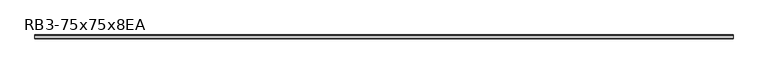
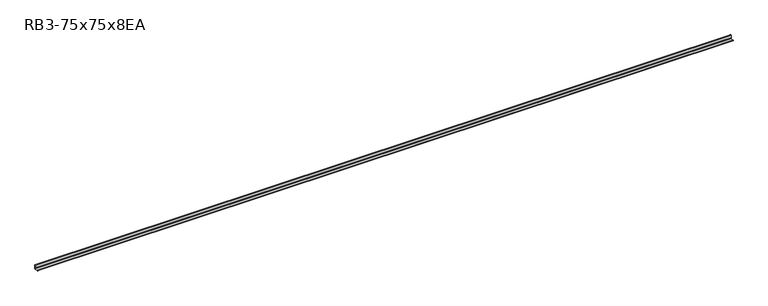
"""IFC4 building model written with IfcOpenShell, lengths in millimetres: member geometry, RB3-75x75x8EA."""

import ifcopenshell
import ifcopenshell.guid

model = None  # the IFC model being written
_history = None  # IfcOwnerHistory: only IFC2X3 demands one
_inside = {}  # id of a spatial element -> (the spatial element, [elements in it])
_under = {}  # id of a project, library or spatial element -> (it, [spatial elements below it])
_declared = {}  # id of a project -> (the project, [libraries it declares])
_typed = {}  # id of a type object -> (the type object, [elements of that type])
_made_of = {}  # id of a material, layer set ... -> (it, [elements and type objects made of it])


def new_model(schema):
    """Start an empty IFC model of exactly this schema.

    Asked for "IFC4X3", IfcOpenShell would pick the latest addendum, in which some entities
    have other attributes; the version numbers below select the first issue.
    IFC2X3 requires an IfcOwnerHistory on every rooted entity: one is made here for all.
    """
    global model, _history
    if schema == "IFC4X3":
        model = ifcopenshell.file(schema_version=(4, 3, 0, 0))
    else:
        model = ifcopenshell.file(schema=schema)
    _inside.clear()
    _under.clear()
    _declared.clear()
    _typed.clear()
    _made_of.clear()
    _history = None
    if model.schema == "IFC2X3":
        org = make("IfcOrganization", Name="unknown")
        user = make(
            "IfcPersonAndOrganization",
            ThePerson=make("IfcPerson", FamilyName="unknown"),
            TheOrganization=org,
        )
        app = make(
            "IfcApplication",
            ApplicationDeveloper=org,
            Version="unknown",
            ApplicationFullName="unknown",
            ApplicationIdentifier="unknown",
        )
        _history = make(
            "IfcOwnerHistory",
            OwningUser=user,
            OwningApplication=app,
            ChangeAction="ADDED",
            CreationDate=0,
        )
    return model


def make(cls, **values):
    """One entity of the class cls with the attributes given. An attribute that is None is left unset."""
    return model.create_entity(
        cls, **{name: value for name, value in values.items() if value is not None}
    )


def rooted(cls, **values):
    """An entity with a GlobalId (a new one), such as an element, a storey or a relation."""
    return make(cls, GlobalId=ifcopenshell.guid.new(), OwnerHistory=_history, **values)


def si_unit(unit_type, name, prefix=None):
    """IfcSIUnit, for example si_unit("LENGTHUNIT", "METRE", prefix="MILLI")."""
    return make("IfcSIUnit", UnitType=unit_type, Prefix=prefix, Name=name)


def assignment(units):
    """IfcUnitAssignment: the units of a project."""
    return None if units is None else make("IfcUnitAssignment", Units=units)


def point(xyz):
    """IfcCartesianPoint."""
    return None if xyz is None else make("IfcCartesianPoint", Coordinates=xyz)


def direction(xyz):
    """IfcDirection."""
    return None if xyz is None else make("IfcDirection", DirectionRatios=xyz)


def frame(location, z_axis=None, x_axis=None):
    """IfcAxis2Placement3D, a coordinate frame: its origin and axes. An axis left out is left unset."""
    return make(
        "IfcAxis2Placement3D",
        Location=point(location),
        Axis=direction(z_axis),
        RefDirection=direction(x_axis),
    )


def frame_2d(location, x_axis=None):
    """IfcAxis2Placement2D, a coordinate frame in the plane: its origin and x axis."""
    return make(
        "IfcAxis2Placement2D", Location=point(location), RefDirection=direction(x_axis)
    )


def origin():
    """The frame at (0, 0, 0) with its axes left unset."""
    return frame((0.0, 0.0, 0.0))


def place(relative_to, where):
    """IfcLocalPlacement: puts the frame where relative to a parent placement (None: the world)."""
    return make(
        "IfcLocalPlacement", PlacementRelTo=relative_to, RelativePlacement=where
    )


def context(
    kind, dimensions, precision=None, world=None, true_north=None, identifier=None
):
    """IfcGeometricRepresentationContext, for example the 3D "Model" context."""
    return make(
        "IfcGeometricRepresentationContext",
        ContextIdentifier=identifier,
        ContextType=kind,
        CoordinateSpaceDimension=dimensions,
        Precision=precision,
        WorldCoordinateSystem=world,
        TrueNorth=true_north,
    )


def project(units=None, contexts=None):
    """IfcProject with its units and contexts."""
    return rooted(
        "IfcProject",
        Name="project",
        RepresentationContexts=contexts,
        UnitsInContext=assignment(units),
    )


def spatial(cls, under=None, at=None, **own):
    """A site, building, storey or space (cls), placed at a placement, below another one or the project."""
    s = rooted(cls, ObjectPlacement=at, **own)
    if under is not None:
        _under.setdefault(under.id(), (under, []))[1].append(s)
    return s


def polyline(points):
    """IfcPolyline through the points."""
    return make("IfcPolyline", Points=[point(p) for p in points])


def circle_curve(where, radius):
    """IfcCircle in the frame where."""
    return make("IfcCircle", Position=where, Radius=radius)


def trimmed(basis, trim1, trim2, sense, master):
    """IfcTrimmedCurve: the piece of a basis curve between two trims."""
    return make(
        "IfcTrimmedCurve",
        BasisCurve=basis,
        Trim1=trim1,
        Trim2=trim2,
        SenseAgreement=sense,
        MasterRepresentation=master,
    )


def segment(curve, same_sense, transition):
    """IfcCompositeCurveSegment."""
    return make(
        "IfcCompositeCurveSegment",
        Transition=transition,
        SameSense=same_sense,
        ParentCurve=curve,
    )


def composite_curve(segments, self_intersect=None):
    """IfcCompositeCurve: segments joined end to end."""
    return make("IfcCompositeCurve", Segments=segments, SelfIntersect=self_intersect)


def outline(outer, holes=None, kind="AREA"):
    """IfcArbitraryClosedProfileDef: a profile drawn as a closed curve; with holes, ...WithVoids."""
    if holes is None:
        return make("IfcArbitraryClosedProfileDef", ProfileType=kind, OuterCurve=outer)
    return make(
        "IfcArbitraryProfileDefWithVoids",
        ProfileType=kind,
        OuterCurve=outer,
        InnerCurves=holes,
    )


def extrude(swept, where, along, depth):
    """IfcExtrudedAreaSolid: the profile swept, set in the frame where, extruded along a direction by depth."""
    return make(
        "IfcExtrudedAreaSolid",
        SweptArea=swept,
        Position=where,
        ExtrudedDirection=direction(along),
        Depth=depth,
    )


def shape(context_of_items, identifier, shape_type, items):
    """IfcShapeRepresentation: the items that make up one representation, for example the "Body"."""
    return make(
        "IfcShapeRepresentation",
        ContextOfItems=context_of_items,
        RepresentationIdentifier=identifier,
        RepresentationType=shape_type,
        Items=items,
    )


def source(mapping_origin, context_of_items, identifier, shape_type, items):
    """IfcRepresentationMap: a shape defined once, which mapped items show again and again."""
    return make(
        "IfcRepresentationMap",
        MappingOrigin=mapping_origin,
        MappedRepresentation=shape(context_of_items, identifier, shape_type, items),
    )


def transform(
    local_origin,
    x_axis=None,
    y_axis=None,
    z_axis=None,
    scale=None,
    scale2=None,
    scale3=None,
    uniform=True,
):
    """IfcCartesianTransformationOperator3D, or its non-uniform kind. x_axis, y_axis, z_axis: its Axis1, 2, 3."""
    if uniform:
        return make(
            "IfcCartesianTransformationOperator3D",
            Axis1=direction(x_axis),
            Axis2=direction(y_axis),
            LocalOrigin=point(local_origin),
            Scale=scale,
            Axis3=direction(z_axis),
        )
    return make(
        "IfcCartesianTransformationOperator3DnonUniform",
        Axis1=direction(x_axis),
        Axis2=direction(y_axis),
        LocalOrigin=point(local_origin),
        Scale=scale,
        Axis3=direction(z_axis),
        Scale2=scale2,
        Scale3=scale3,
    )


def mapped(mapping_source, mapping_target):
    """IfcMappedItem: shows the shape of a source again, moved by a transform."""
    return make(
        "IfcMappedItem", MappingSource=mapping_source, MappingTarget=mapping_target
    )


def made_of(thing, what):
    """Note that an element or type object is made of a material, layer set ...; save() writes the relation."""
    if what is not None:
        _made_of.setdefault(what.id(), (what, []))[1].append(thing)
    return thing


def element(
    cls,
    number,
    at=None,
    inside=None,
    cuts=None,
    type_object=None,
    material=None,
    context=None,
    identifier="Body",
    shape_type=None,
    held_by="IfcProductDefinitionShape",
    body=None,
    shapes=None,
    **own,
):
    """One element of the class cls, such as IfcWall. Its Tag is "e" and its number.

    at: its placement. inside: the storey or other place that contains it. cuts: it is an
    opening in that element (IfcRelVoidsElement). A single representation is given by context,
    identifier, shape_type and body (its items); several are given by shapes. held_by: the class
    of the entity that holds the representations. save() writes the other relations.
    """
    e = rooted(cls, Tag="e%d" % number, ObjectPlacement=at, **own)
    if body is not None:
        shapes = [shape(context, identifier, shape_type, body)]
    if shapes is not None:
        e.Representation = make(held_by, Representations=shapes)
    if inside is not None:
        _inside.setdefault(inside.id(), (inside, []))[1].append(e)
    if cuts is not None:
        rooted(
            "IfcRelVoidsElement", RelatingBuildingElement=cuts, RelatedOpeningElement=e
        )
    if type_object is not None:
        _typed.setdefault(type_object.id(), (type_object, []))[1].append(e)
    return made_of(e, material)


def aggregate(whole, parts):
    """IfcRelAggregates: a whole, such as a stair, and the parts it consists of."""
    return rooted("IfcRelAggregates", RelatingObject=whole, RelatedObjects=parts)


def save(model, path):
    """Write the relations noted so far, then the file.

    IfcRelAggregates (storeys below a building ...), IfcRelContainedInSpatialStructure (elements
    in a storey), IfcRelDefinesByType, IfcRelAssociatesMaterial and IfcRelDeclares: one each for
    every whole, place, type object, material and project.
    """
    for whole, parts in _under.values():
        aggregate(whole, parts)
    for where, things in _inside.values():
        rooted(
            "IfcRelContainedInSpatialStructure",
            RelatedElements=things,
            RelatingStructure=where,
        )
    for kind, things in _typed.values():
        rooted("IfcRelDefinesByType", RelatedObjects=things, RelatingType=kind)
    for what, things in _made_of.values():
        rooted("IfcRelAssociatesMaterial", RelatedObjects=things, RelatingMaterial=what)
    for by, libraries in _declared.values():
        rooted("IfcRelDeclares", RelatingContext=by, RelatedDefinitions=libraries)
    model.write(path)


def rb3_75x75x8ea_d1524909(model_context):
    return source(origin(), model_context, "Body", "SweptSolid", [
        extrude(outline(composite_curve([segment(polyline([(21.3, -21.3), (-53.7, -21.3), (-53.7, -18.3)]), True, "CONTINUOUS"), segment(trimmed(circle_curve(frame_2d((-48.7, -18.3)), 5.0), [point((-53.7, -18.3))], [point((-48.7, -13.3))], False, "CARTESIAN"), True, "CONTINUOUS"), segment(polyline([(-48.7, -13.3), (5.3, -13.3)]), True, "CONTINUOUS"), segment(trimmed(circle_curve(frame_2d((5.3, -5.3)), 8.0), [point((5.3, -13.3))], [point((13.3, -5.3))], True, "CARTESIAN"), True, "CONTINUOUS"), segment(polyline([(13.3, -5.3), (13.3, 48.7)]), True, "CONTINUOUS"), segment(trimmed(circle_curve(frame_2d((18.3, 48.7)), 5.0), [point((13.3, 48.7))], [point((18.3, 53.7))], False, "CARTESIAN"), True, "CONTINUOUS"), segment(polyline([(18.3, 53.7), (21.3, 53.7), (21.3, -21.3)]), True, "CONTINUOUS")], self_intersect=False)), frame((-6856.5, 0.0, 0.0), z_axis=(1.0, 0.0, 0.0), x_axis=(0.0, 1.0, 0.0)), (0.0, 0.0, 1.0), 13621.0),
    ])


if __name__ == "__main__":
    model = new_model("IFC4")
    model_context = context("Model", 3, world=origin())
    ifc_project = project(units=[si_unit("LENGTHUNIT", "METRE", prefix="MILLI")], contexts=[model_context])
    site = spatial("IfcSite", under=ifc_project)
    building = spatial("IfcBuilding", under=site)
    placement = place(None, origin())
    rb3_75x75x8ea_shape = rb3_75x75x8ea_d1524909(model_context)
    element("IfcMember", 1, ObjectType="RB3-75x75x8EA", at=placement, inside=building, context=model_context, shape_type="MappedRepresentation", body=[
        mapped(rb3_75x75x8ea_shape, transform((0.0, 0.0, 0.0), x_axis=(1.0, 0.0, 0.0), y_axis=(0.0, 1.0, 0.0), z_axis=(0.0, 0.0, 1.0))),
    ])
    save(model, "model.ifc")
